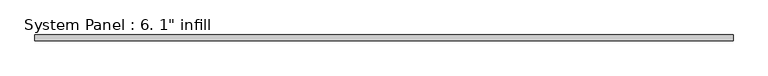
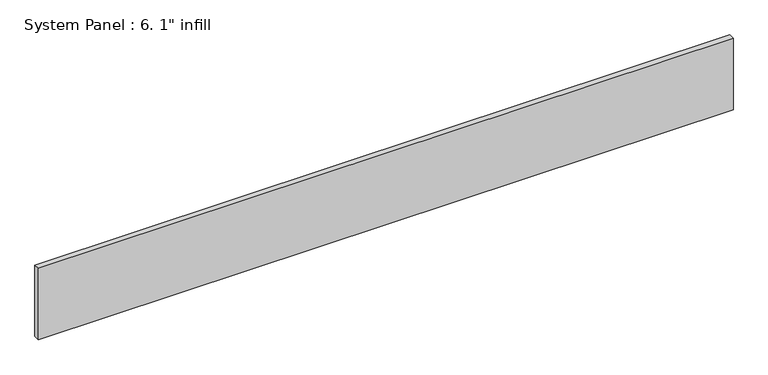
"""IFC4 building model written with IfcOpenShell, lengths in millimetres: plate geometry."""

from ifc_helpers import new_model, si_unit, origin, origin_with_axes, place, context, project, spatial, polyline, outline, extrude, source, transform, mapped, element, save


def plate_5041bd4b(model_context):
    return source(origin(), model_context, "Body", "SweptSolid", [
        extrude(outline(polyline([(1524.0, -12.7), (-1524.0, -12.7), (-1524.0, 12.7), (1524.0, 12.7), (1524.0, -12.7)])), origin_with_axes(), (0.0, 0.0, 1.0), 330.6074902),
    ])


if __name__ == "__main__":
    model = new_model("IFC4")
    model_context = context("Model", 3, world=origin())
    ifc_project = project(units=[si_unit("LENGTHUNIT", "METRE", prefix="MILLI")], contexts=[model_context])
    site = spatial("IfcSite", under=ifc_project)
    building = spatial("IfcBuilding", under=site)
    placement = place(None, origin())
    plate_shape = plate_5041bd4b(model_context)
    element("IfcPlate", 1, ObjectType="System Panel : 6. 1\" infill", at=placement, inside=building, context=model_context, shape_type="MappedRepresentation", body=[
        mapped(plate_shape, transform((0.0, 0.0, 0.0), x_axis=(1.0, 0.0, 0.0), y_axis=(0.0, 1.0, 0.0), z_axis=(0.0, 0.0, 1.0))),
    ])
    save(model, "model.ifc")
